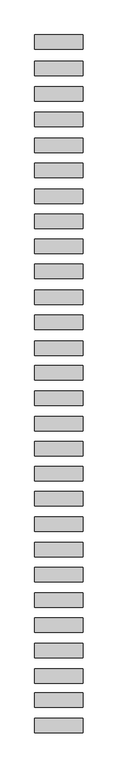
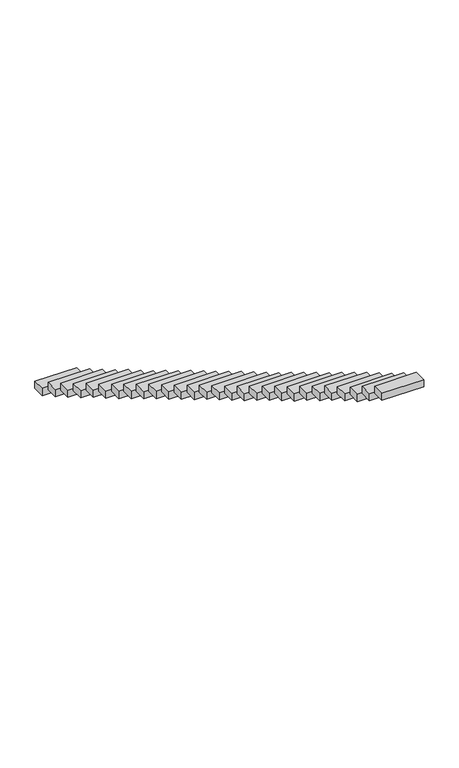
"""IFC4 building model written with IfcOpenShell, lengths in millimetres: proxy geometry."""

from ifc_helpers import new_model, si_unit, frame, origin, place, context, project, spatial, polyline, outline, extrude, source, transform, mapped, element, save


def generic_models_8edae8ad(model_context):
    return source(origin(), model_context, "Body", "SweptSolid", [
        extrude(outline(polyline([(-640.0, -6879.8120372), (-640.0, -6499.8120372), (640.0, -6499.8120372), (640.0, -6879.8120372), (-640.0, -6879.8120372)])), frame((0.0, 0.0, 4215.0613855), z_axis=(0.0, 0.0, 1.0), x_axis=(1.0, 0.0, 0.0)), (0.0, 0.0, 1.0), 230.0),
        extrude(outline(polyline([(-640.0, -6216.3050058), (-640.0, -5836.3050058), (640.0, -5836.3050058), (640.0, -6216.3050058), (-640.0, -6216.3050058)])), frame((0.0, 0.0, 3808.8684925), z_axis=(0.0, 0.0, 1.0), x_axis=(1.0, 0.0, 0.0)), (0.0, 0.0, 1.0), 230.0),
        extrude(outline(polyline([(-640.0, -5581.1275053), (-640.0, -5201.1275053), (640.0, -5201.1275053), (640.0, -5581.1275053), (-640.0, -5581.1275053)])), frame((0.0, 0.0, 3394.8103348), z_axis=(0.0, 0.0, 1.0), x_axis=(1.0, 0.0, 0.0)), (0.0, 0.0, 1.0), 230.0),
        extrude(outline(polyline([(-640.0, -4903.2714226), (-640.0, -4523.2714226), (640.0, -4523.2714226), (640.0, -4903.2714226), (-640.0, -4903.2714226)])), frame((0.0, 0.0, 3007.1563831), z_axis=(0.0, 0.0, 1.0), x_axis=(1.0, 0.0, 0.0)), (0.0, 0.0, 1.0), 230.0),
        extrude(outline(polyline([(-640.0, -4235.4721835), (-640.0, -3855.4721835), (640.0, -3855.4721835), (640.0, -4235.4721835), (-640.0, -4235.4721835)])), frame((0.0, 0.0, 2623.3417351), z_axis=(0.0, 0.0, 1.0), x_axis=(1.0, 0.0, 0.0)), (0.0, 0.0, 1.0), 230.0),
        extrude(outline(polyline([(-640.0, -3577.8596057), (-640.0, -3197.8596057), (640.0, -3197.8596057), (640.0, -3577.8596057), (-640.0, -3577.8596057)])), frame((0.0, 0.0, 2212.5790089), z_axis=(0.0, 0.0, 1.0), x_axis=(1.0, 0.0, 0.0)), (0.0, 0.0, 1.0), 230.0),
        extrude(outline(polyline([(-640.0, -2906.0343957), (-640.0, -2526.0343957), (640.0, -2526.0343957), (640.0, -2906.0343957), (-640.0, -2906.0343957)])), frame((0.0, 0.0, 1807.546812), z_axis=(0.0, 0.0, 1.0), x_axis=(1.0, 0.0, 0.0)), (0.0, 0.0, 1.0), 230.0),
        extrude(outline(polyline([(-640.0, -2248.908837), (-640.0, -1868.908837), (640.0, -1868.908837), (640.0, -2248.908837), (-640.0, -2248.908837)])), frame((0.0, 0.0, 1389.6493504), z_axis=(0.0, 0.0, 1.0), x_axis=(1.0, 0.0, 0.0)), (0.0, 0.0, 1.0), 230.0),
        extrude(outline(polyline([(-640.0, -1574.2183649), (-640.0, -1194.2183649), (640.0, -1194.2183649), (640.0, -1574.2183649), (-640.0, -1574.2183649)])), frame((0.0, 0.0, 997.2393822), z_axis=(0.0, 0.0, 1.0), x_axis=(1.0, 0.0, 0.0)), (0.0, 0.0, 1.0), 230.0),
        extrude(outline(polyline([(-640.0, -906.8492921), (-640.0, -526.8492921), (640.0, -526.8492921), (640.0, -906.8492921), (-640.0, -906.8492921)])), frame((0.0, 0.0, 595.8025056), z_axis=(0.0, 0.0, 1.0), x_axis=(1.0, 0.0, 0.0)), (0.0, 0.0, 1.0), 230.0),
        extrude(outline(polyline([(-640.0, -243.1328767), (-640.0, 136.8671233), (640.0, 136.8671233), (640.0, -243.1328767), (-640.0, -243.1328767)])), frame((0.0, 0.0, 191.7443479), z_axis=(0.0, 0.0, 1.0), x_axis=(1.0, 0.0, 0.0)), (0.0, 0.0, 1.0), 230.0),
        extrude(outline(polyline([(-640.0, 411.1274291), (-640.0, 791.1274291), (640.0, 791.1274291), (640.0, 411.1274291), (-640.0, 411.1274291)])), frame((0.0, 0.0, -213.2878489), z_axis=(0.0, 0.0, 1.0), x_axis=(1.0, 0.0, 0.0)), (0.0, 0.0, 1.0), 230.0),
        extrude(outline(polyline([(-640.0, 1078.4396399), (-640.0, 1458.4396399), (640.0, 1458.4396399), (640.0, 1078.4396399), (-640.0, 1078.4396399)])), frame((0.0, 0.0, -603.076536), z_axis=(0.0, 0.0, 1.0), x_axis=(1.0, 0.0, 0.0)), (0.0, 0.0, 1.0), 230.0),
        extrude(outline(polyline([(-640.0, 1750.0781978), (-640.0, 2130.0781978), (640.0, 2130.0781978), (640.0, 1750.0781978), (-640.0, 1750.0781978)])), frame((0.0, 0.0, -993.5957525), z_axis=(0.0, 0.0, 1.0), x_axis=(1.0, 0.0, 0.0)), (0.0, 0.0, 1.0), 230.0),
        extrude(outline(polyline([(-640.0, 2412.6339227), (-640.0, 2792.6339227), (640.0, 2792.6339227), (640.0, 2412.6339227), (-640.0, 2412.6339227)])), frame((0.0, 0.0, -1385.5191749), z_axis=(0.0, 0.0, 1.0), x_axis=(1.0, 0.0, 0.0)), (0.0, 0.0, 1.0), 230.0),
        extrude(outline(polyline([(-640.0, 3067.1377335), (-640.0, 3447.1377335), (640.0, 3447.1377335), (640.0, 3067.1377335), (-640.0, 3067.1377335)])), frame((0.0, 0.0, -1785.5513718), z_axis=(0.0, 0.0, 1.0), x_axis=(1.0, 0.0, 0.0)), (0.0, 0.0, 1.0), 230.0),
        extrude(outline(polyline([(-640.0, 3752.3152155), (-640.0, 4132.3152155), (640.0, 4132.3152155), (640.0, 3752.3152155), (-640.0, 3752.3152155)])), frame((0.0, 0.0, -2198.8790001), z_axis=(0.0, 0.0, 1.0), x_axis=(1.0, 0.0, 0.0)), (0.0, 0.0, 1.0), 230.0),
        extrude(outline(polyline([(-640.0, 4407.7121809), (-640.0, 4787.7121809), (640.0, 4787.7121809), (640.0, 4407.7121809), (-640.0, 4407.7121809)])), frame((0.0, 0.0, -2581.3831685), z_axis=(0.0, 0.0, 1.0), x_axis=(1.0, 0.0, 0.0)), (0.0, 0.0, 1.0), 230.0),
        extrude(outline(polyline([(-640.0, 5091.4225528), (-640.0, 5471.4225528), (640.0, 5471.4225528), (640.0, 5091.4225528), (-640.0, 5091.4225528)])), frame((0.0, 0.0, -2979.8148828), z_axis=(0.0, 0.0, 1.0), x_axis=(1.0, 0.0, 0.0)), (0.0, 0.0, 1.0), 230.0),
        extrude(outline(polyline([(-640.0, 5756.1774267), (-640.0, 6136.1774267), (640.0, 6136.1774267), (640.0, 5756.1774267), (-640.0, 5756.1774267)])), frame((0.0, 0.0, -3386.2295469), z_axis=(0.0, 0.0, 1.0), x_axis=(1.0, 0.0, 0.0)), (0.0, 0.0, 1.0), 230.0),
        extrude(outline(polyline([(-640.0, 6411.9408341), (-640.0, 6791.9408341), (640.0, 6791.9408341), (640.0, 6411.9408341), (-640.0, 6411.9408341)])), frame((0.0, 0.0, -3780.4510311), z_axis=(0.0, 0.0, 1.0), x_axis=(1.0, 0.0, 0.0)), (0.0, 0.0, 1.0), 230.0),
        extrude(outline(polyline([(-640.0, 7073.0991306), (-640.0, 7453.0991306), (640.0, 7453.0991306), (640.0, 7073.0991306), (-640.0, 7073.0991306)])), frame((0.0, 0.0, -4183.8827455), z_axis=(0.0, 0.0, 1.0), x_axis=(1.0, 0.0, 0.0)), (0.0, 0.0, 1.0), 230.0),
        extrude(outline(polyline([(-640.0, 7751.6693554), (-640.0, 8131.6693554), (640.0, 8131.6693554), (640.0, 7751.6693554), (-640.0, 7751.6693554)])), frame((0.0, 0.0, -4587.3144598), z_axis=(0.0, 0.0, 1.0), x_axis=(1.0, 0.0, 0.0)), (0.0, 0.0, 1.0), 230.0),
        extrude(outline(polyline([(-640.0, 8414.6259544), (-640.0, 8794.6259544), (640.0, 8794.6259544), (640.0, 8414.6259544), (-640.0, 8414.6259544)])), frame((0.0, 0.0, -4960.5274189), z_axis=(0.0, 0.0, 1.0), x_axis=(1.0, 0.0, 0.0)), (0.0, 0.0, 1.0), 230.0),
        extrude(outline(polyline([(-640.0, 9096.1791216), (-640.0, 9476.1791216), (640.0, 9476.1791216), (640.0, 9096.1791216), (-640.0, 9096.1791216)])), frame((0.0, 0.0, -5389.7489031), z_axis=(0.0, 0.0, 1.0), x_axis=(1.0, 0.0, 0.0)), (0.0, 0.0, 1.0), 230.0),
        extrude(outline(polyline([(-640.0, 9768.7408315), (-640.0, 10148.7408315), (640.0, 10148.7408315), (640.0, 9768.7408315), (-640.0, 9768.7408315)])), frame((0.0, 0.0, -5775.9874375), z_axis=(0.0, 0.0, 1.0), x_axis=(1.0, 0.0, 0.0)), (0.0, 0.0, 1.0), 230.0),
        extrude(outline(polyline([(-640.0, 10437.3110748), (-640.0, 10817.3110748), (640.0, 10817.3110748), (640.0, 10437.3110748), (-640.0, 10437.3110748)])), frame((0.0, 0.0, -6162.6208569), z_axis=(0.0, 0.0, 1.0), x_axis=(1.0, 0.0, 0.0)), (0.0, 0.0, 1.0), 230.0),
        extrude(outline(polyline([(-640.0, 11134.8727662), (-640.0, 11514.8727662), (640.0, 11514.8727662), (640.0, 11134.8727662), (-640.0, 11134.8727662)])), frame((0.0, 0.0, -6549.5005459), z_axis=(0.0, 0.0, 1.0), x_axis=(1.0, 0.0, 0.0)), (0.0, 0.0, 1.0), 230.0),
    ])


if __name__ == "__main__":
    model = new_model("IFC4")
    model_context = context("Model", 3, world=origin())
    ifc_project = project(units=[si_unit("LENGTHUNIT", "METRE", prefix="MILLI")], contexts=[model_context])
    site = spatial("IfcSite", under=ifc_project)
    building = spatial("IfcBuilding", under=site)
    placement = place(None, origin())
    generic_models_shape = generic_models_8edae8ad(model_context)
    element("IfcBuildingElementProxy", 1, Name="Generic Models", at=placement, inside=building, context=model_context, shape_type="MappedRepresentation", body=[
        mapped(generic_models_shape, transform((0.0, 0.0, 0.0), x_axis=(1.0, 0.0, 0.0), y_axis=(0.0, 1.0, 0.0), z_axis=(0.0, 0.0, 1.0))),
    ])
    save(model, "model.ifc")
